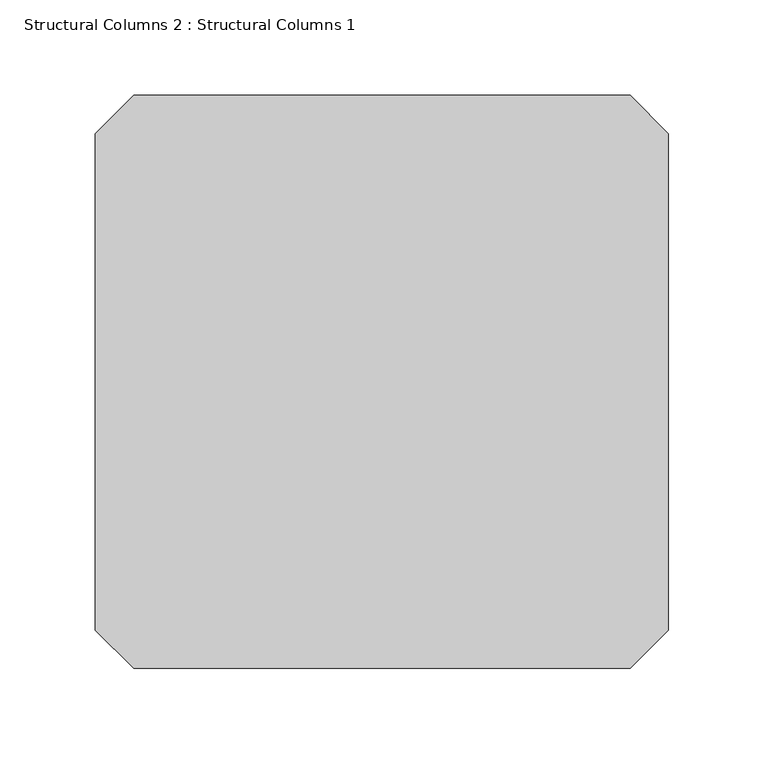
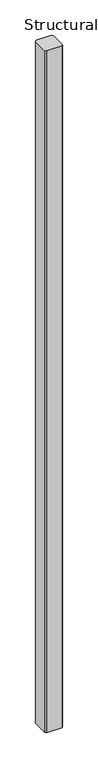
"""IFC4 building model written with IfcOpenShell, lengths in millimetres: column geometry, Structural Columns 2 : Structural Columns 1."""

from ifc_helpers import new_model, si_unit, origin, origin_with_axes, place, context, project, spatial, polyline, outline, extrude, source, transform, mapped, element, save


def structural_columns_2_structural_columns_1_759000a7(model_context):
    return source(origin(), model_context, "Body", "SweptSolid", [
        extrude(outline(polyline([(130.0, 150.0), (150.0, 130.0), (150.0, -130.0), (130.0, -150.0), (-130.0, -150.0), (-150.0, -130.0), (-150.0, 130.0), (-130.0, 150.0), (130.0, 150.0)])), origin_with_axes(), (0.0, 0.0, 1.0), 12000.0),
    ])


if __name__ == "__main__":
    model = new_model("IFC4")
    model_context = context("Model", 3, world=origin())
    ifc_project = project(units=[si_unit("LENGTHUNIT", "METRE", prefix="MILLI")], contexts=[model_context])
    site = spatial("IfcSite", under=ifc_project)
    building = spatial("IfcBuilding", under=site)
    placement = place(None, origin())
    structural_columns_2_structural_columns_1_shape = structural_columns_2_structural_columns_1_759000a7(model_context)
    element("IfcColumn", 1, ObjectType="Structural Columns 2 : Structural Columns 1", at=placement, inside=building, context=model_context, shape_type="MappedRepresentation", body=[
        mapped(structural_columns_2_structural_columns_1_shape, transform((0.0, 0.0, 0.0), x_axis=(1.0, 0.0, 0.0), y_axis=(0.0, 1.0, 0.0), z_axis=(0.0, 0.0, 1.0))),
    ])
    save(model, "model.ifc")
